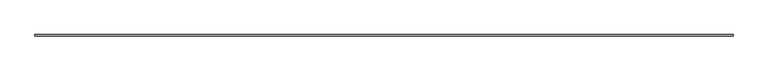
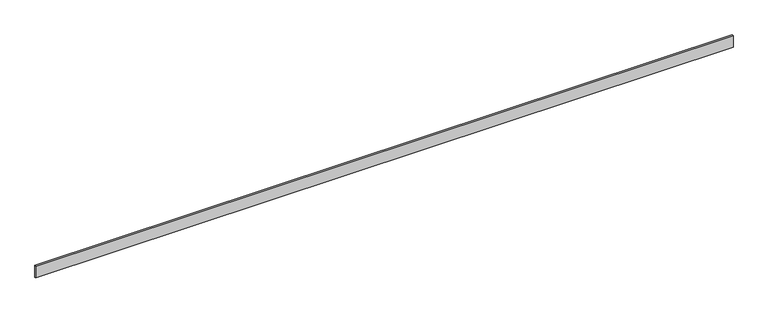
"""IFC4 building model written with IfcOpenShell, lengths in millimetres: furniture geometry."""

from ifc_helpers import new_model, si_unit, origin, origin_with_axes, place, context, project, spatial, polyline, outline, extrude, source, transform, mapped, element, save


def furniture_8bdfc4d7(model_context):
    return source(origin(), model_context, "Body", "SweptSolid", [
        extrude(outline(polyline([(0.0, 0.0), (0.0, 10.0), (5670.9212767, 10.0), (5670.9212767, 0.0), (0.0, 0.0)])), origin_with_axes(), (0.0, 0.0, 1.0), 100.0),
    ])


if __name__ == "__main__":
    model = new_model("IFC4")
    model_context = context("Model", 3, world=origin())
    ifc_project = project(units=[si_unit("LENGTHUNIT", "METRE", prefix="MILLI")], contexts=[model_context])
    site = spatial("IfcSite", under=ifc_project)
    building = spatial("IfcBuilding", under=site)
    placement = place(None, origin())
    furniture_shape = furniture_8bdfc4d7(model_context)
    element("IfcFurniture", 1, at=placement, inside=building, context=model_context, shape_type="MappedRepresentation", body=[
        mapped(furniture_shape, transform((0.0, 0.0, 0.0), x_axis=(1.0, 0.0, 0.0), y_axis=(0.0, 1.0, 0.0), z_axis=(0.0, 0.0, 1.0))),
    ])
    save(model, "model.ifc")
